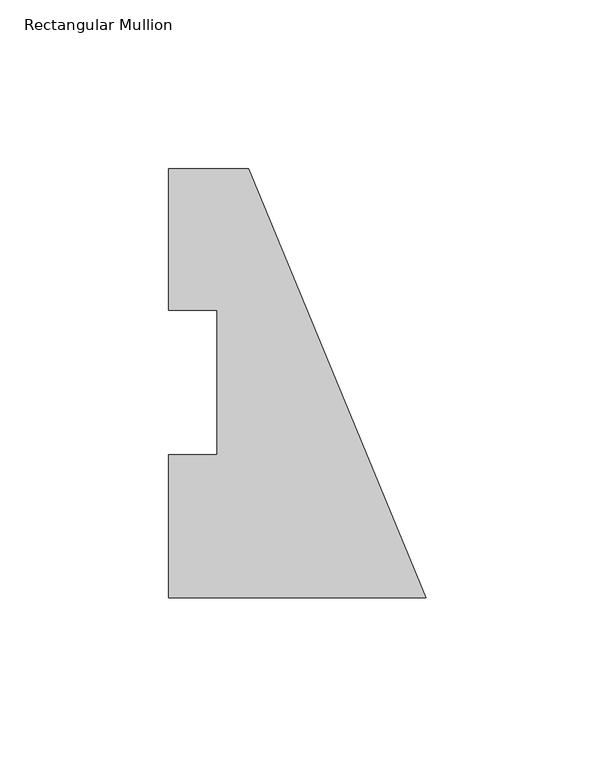
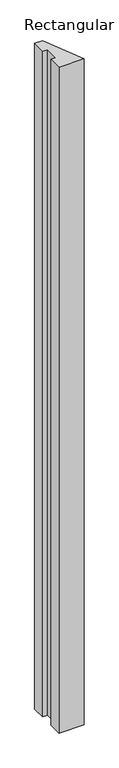
"""IFC4 building model written with IfcOpenShell, lengths in millimetres: member geometry, Rectangular Mullion."""

from ifc_helpers import new_model, si_unit, frame, origin, place, context, project, spatial, polyline, outline, extrude, source, transform, mapped, element, save


def rectangular_mullion_35fd4b97(model_context):
    return source(origin(), model_context, "Body", "SweptSolid", [
        extrude(outline(polyline([(0.0, -0.0294092), (-76.2, -0.0294092), (-76.2, 42.2798875), (-61.9125, 42.2798875), (-61.9125, 85.1296875), (-76.2, 85.1296875), (-76.2, 126.9705908), (-52.6051224, 126.9705908), (0.0, -0.0294092)])), frame((0.0, 0.0, -2133.6), z_axis=(0.0, 0.0, 1.0), x_axis=(1.0, 0.0, 0.0)), (0.0, 0.0, 1.0), 2133.6),
    ])


if __name__ == "__main__":
    model = new_model("IFC4")
    model_context = context("Model", 3, world=origin())
    ifc_project = project(units=[si_unit("LENGTHUNIT", "METRE", prefix="MILLI")], contexts=[model_context])
    site = spatial("IfcSite", under=ifc_project)
    building = spatial("IfcBuilding", under=site)
    placement = place(None, origin())
    rectangular_mullion_shape = rectangular_mullion_35fd4b97(model_context)
    element("IfcMember", 1, ObjectType="Rectangular Mullion", at=placement, inside=building, context=model_context, shape_type="MappedRepresentation", body=[
        mapped(rectangular_mullion_shape, transform((0.0, 0.0, 0.0), x_axis=(1.0, 0.0, 0.0), y_axis=(0.0, 1.0, 0.0), z_axis=(0.0, 0.0, 1.0))),
    ])
    save(model, "model.ifc")
